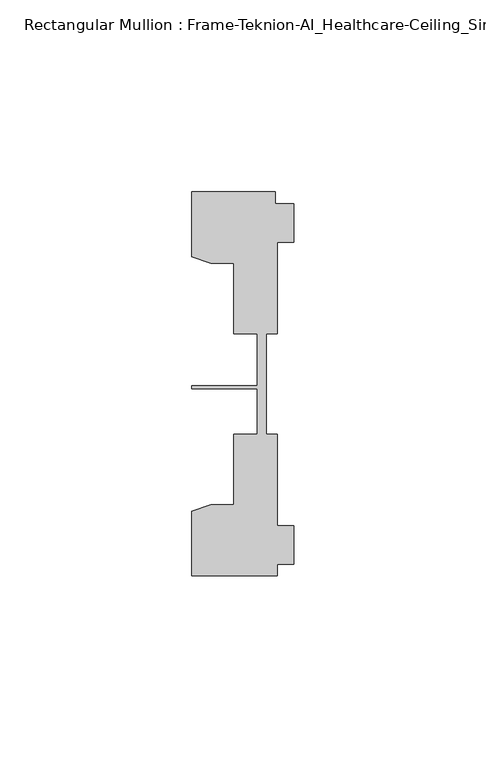
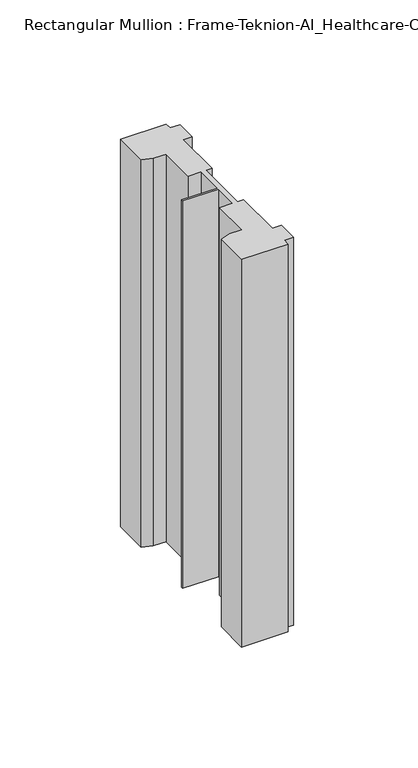
"""IFC4 building model written with IfcOpenShell, lengths in millimetres: member geometry, Rectangular Mullion : Frame-Teknion-AI_Healthcare-Ceiling_Single_Channel."""

from ifc_helpers import new_model, si_unit, frame, origin, place, context, project, spatial, polyline, outline, extrude, source, transform, mapped, element, save


def rectangular_mullion_frame_teknion_ai_healthcare_ceiling_8533733e(model_context):
    return source(origin(), model_context, "Body", "SweptSolid", [
        extrude(outline(polyline([(-26.4921999, 34.0201677), (-26.4921999, 50.8315128), (-4.7752002, 50.8315128), (-4.7752002, 47.782071), (0.0, 47.782071), (0.0, 37.7820716), (-4.2672007, 37.7820716), (-4.2672007, 13.9110722), (-7.1647766, 13.9110722), (-7.1647766, 0.0814804), (-7.1647766, -12.2509301), (-4.2672007, -12.2509301), (-4.2672007, -36.1219249), (0.0, -36.1219249), (0.0, -46.1219322), (-4.2672007, -46.1219322), (-4.2672007, -49.1699293), (-26.4921999, -49.1699293), (-26.4921999, -32.3600207), (-21.6625199, -30.6279561), (-15.6737764, -30.6279561), (-15.6737764, -12.2509301), (-9.4507761, -12.2509301), (-9.4507761, -0.4036528), (-26.4921999, -0.4036528), (-26.4921999, 0.4036528), (-9.4507761, 0.4036528), (-9.4507761, 13.9110722), (-15.6737764, 13.9110722), (-15.6737764, 32.2880982), (-21.6625199, 32.2880982), (-26.4921999, 34.0201677)])), frame((0.0, 0.0, -195.58), z_axis=(0.0, 0.0, 1.0), x_axis=(1.0, 0.0, 0.0)), (0.0, 0.0, 1.0), 195.58),
    ])


if __name__ == "__main__":
    model = new_model("IFC4")
    model_context = context("Model", 3, world=origin())
    ifc_project = project(units=[si_unit("LENGTHUNIT", "METRE", prefix="MILLI")], contexts=[model_context])
    site = spatial("IfcSite", under=ifc_project)
    building = spatial("IfcBuilding", under=site)
    placement = place(None, origin())
    rectangular_mullion_frame_teknion_ai_healthcare_ceiling_shape = rectangular_mullion_frame_teknion_ai_healthcare_ceiling_8533733e(model_context)
    element("IfcMember", 1, ObjectType="Rectangular Mullion : Frame-Teknion-AI_Healthcare-Ceiling_Single_Channel", at=placement, inside=building, context=model_context, shape_type="MappedRepresentation", body=[
        mapped(rectangular_mullion_frame_teknion_ai_healthcare_ceiling_shape, transform((0.0, 0.0, 0.0), x_axis=(1.0, 0.0, 0.0), y_axis=(0.0, 1.0, 0.0), z_axis=(0.0, 0.0, 1.0))),
    ])
    save(model, "model.ifc")
